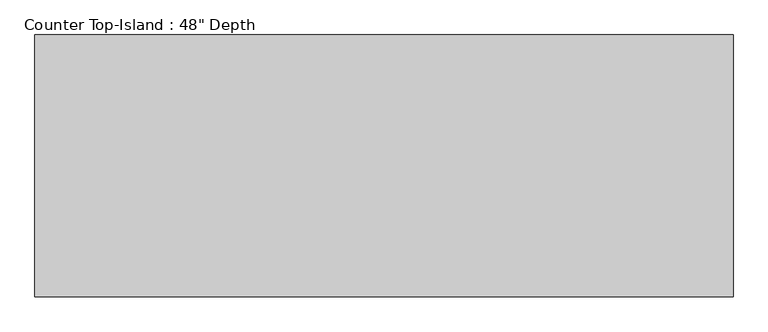
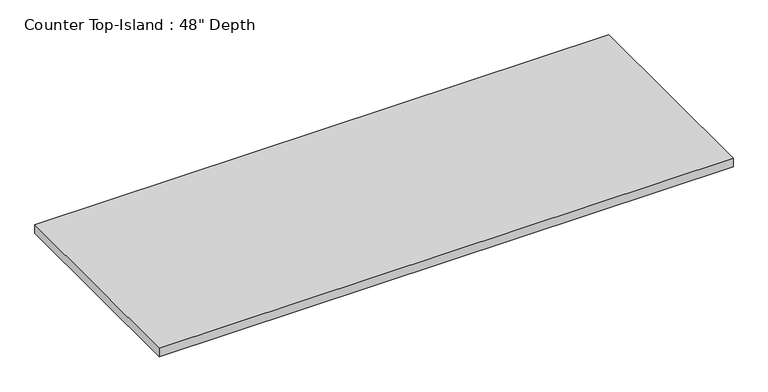
"""IFC4 building model written with IfcOpenShell, lengths in millimetres: furniture geometry."""

from ifc_helpers import new_model, si_unit, frame, origin, place, context, project, spatial, polyline, outline, extrude, source, transform, mapped, element, save


def furniture_fdbc8e0c(model_context):
    return source(origin(), model_context, "Body", "SweptSolid", [
        extrude(outline(polyline([(1237.9377049, 25.4), (1237.9377049, -889.0), (-1200.4622951, -889.0), (-1200.4622951, 25.4), (1237.9377049, 25.4)])), frame((0.0, 0.0, 876.3), z_axis=(0.0, 0.0, 1.0), x_axis=(1.0, 0.0, 0.0)), (0.0, 0.0, 1.0), 38.1),
    ])


if __name__ == "__main__":
    model = new_model("IFC4")
    model_context = context("Model", 3, world=origin())
    ifc_project = project(units=[si_unit("LENGTHUNIT", "METRE", prefix="MILLI")], contexts=[model_context])
    site = spatial("IfcSite", under=ifc_project)
    building = spatial("IfcBuilding", under=site)
    placement = place(None, origin())
    furniture_shape = furniture_fdbc8e0c(model_context)
    element("IfcFurniture", 1, ObjectType="Counter Top-Island : 48\" Depth", at=placement, inside=building, context=model_context, shape_type="MappedRepresentation", body=[
        mapped(furniture_shape, transform((0.0, 0.0, 0.0), x_axis=(1.0, 0.0, 0.0), y_axis=(0.0, 1.0, 0.0), z_axis=(0.0, 0.0, 1.0))),
    ])
    save(model, "model.ifc")
